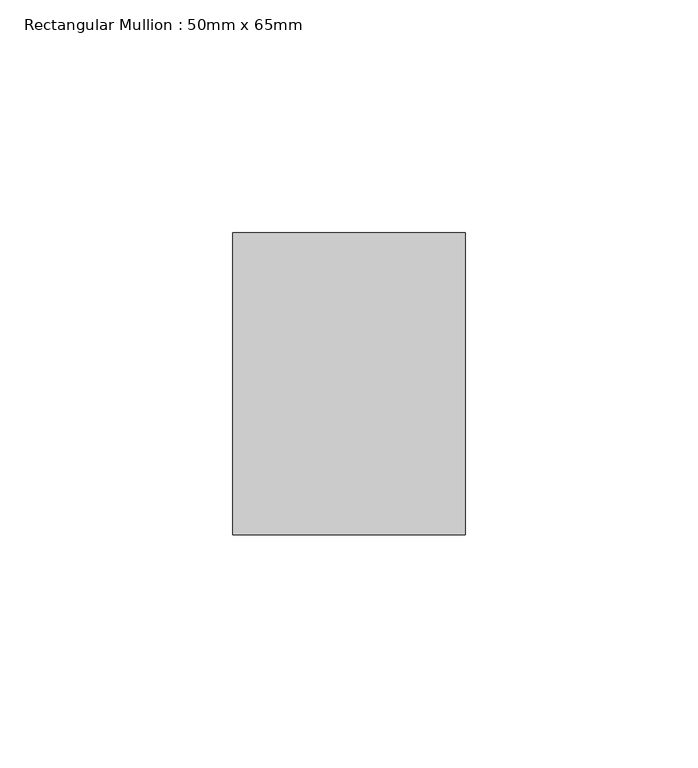
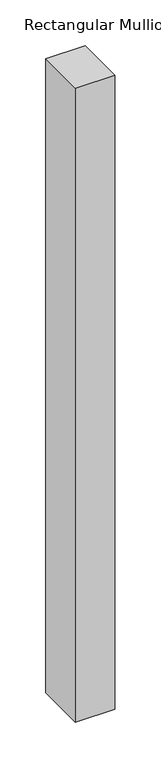
"""IFC4 building model written with IfcOpenShell, lengths in millimetres: member geometry, Rectangular Mullion : 50mm x 65mm."""

from ifc_helpers import new_model, si_unit, frame, origin, place, context, project, spatial, polyline, outline, extrude, source, transform, mapped, element, save


def rectangular_mullion_50mm_x_65mm_4d7dc68c(model_context):
    return source(origin(), model_context, "Body", "SweptSolid", [
        extrude(outline(polyline([(25.0, 32.5), (25.0, -32.5), (-25.0, -32.5), (-25.0, 32.5), (25.0, 32.5)])), frame((0.0, 0.0, -846.7248846), z_axis=(0.0, 0.0, 1.0), x_axis=(1.0, 0.0, 0.0)), (0.0, 0.0, 1.0), 846.7248846),
    ])


if __name__ == "__main__":
    model = new_model("IFC4")
    model_context = context("Model", 3, world=origin())
    ifc_project = project(units=[si_unit("LENGTHUNIT", "METRE", prefix="MILLI")], contexts=[model_context])
    site = spatial("IfcSite", under=ifc_project)
    building = spatial("IfcBuilding", under=site)
    placement = place(None, origin())
    rectangular_mullion_50mm_x_65mm_shape = rectangular_mullion_50mm_x_65mm_4d7dc68c(model_context)
    element("IfcMember", 1, ObjectType="Rectangular Mullion : 50mm x 65mm", at=placement, inside=building, context=model_context, shape_type="MappedRepresentation", body=[
        mapped(rectangular_mullion_50mm_x_65mm_shape, transform((0.0, 0.0, 0.0), x_axis=(1.0, 0.0, 0.0), y_axis=(0.0, 1.0, 0.0), z_axis=(0.0, 0.0, 1.0))),
    ])
    save(model, "model.ifc")
